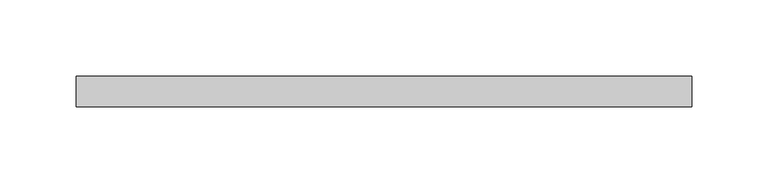
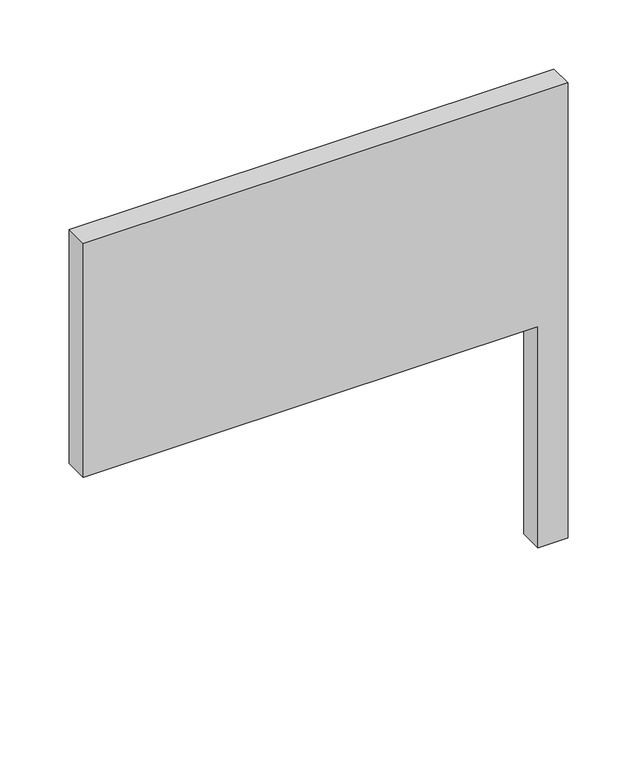
"""IFC4 building model written with IfcOpenShell, lengths in millimetres: plate geometry."""

from ifc_helpers import new_model, si_unit, frame, origin, place, context, project, spatial, polyline, outline, extrude, source, transform, mapped, element, save


def plate_0920761f(model_context):
    return source(origin(), model_context, "Body", "SweptSolid", [
        extrude(outline(polyline([(0.0, 177.3913043), (0.0, 202.3913043), (401.6624409, 202.3913043), (401.6624409, -202.3913043), (195.2028354, -202.3913043), (195.2028354, 177.3913043), (0.0, 177.3913043)])), frame((0.0, 70.0, 0.0), z_axis=(0.0, 1.0, 0.0), x_axis=(0.0, 0.0, 1.0)), (0.0, 0.0, 1.0), 20.0),
    ])


if __name__ == "__main__":
    model = new_model("IFC4")
    model_context = context("Model", 3, world=origin())
    ifc_project = project(units=[si_unit("LENGTHUNIT", "METRE", prefix="MILLI")], contexts=[model_context])
    site = spatial("IfcSite", under=ifc_project)
    building = spatial("IfcBuilding", under=site)
    placement = place(None, origin())
    plate_shape = plate_0920761f(model_context)
    element("IfcPlate", 1, at=placement, inside=building, context=model_context, shape_type="MappedRepresentation", body=[
        mapped(plate_shape, transform((0.0, 0.0, 0.0), x_axis=(1.0, 0.0, 0.0), y_axis=(0.0, 1.0, 0.0), z_axis=(0.0, 0.0, 1.0))),
    ])
    save(model, "model.ifc")
